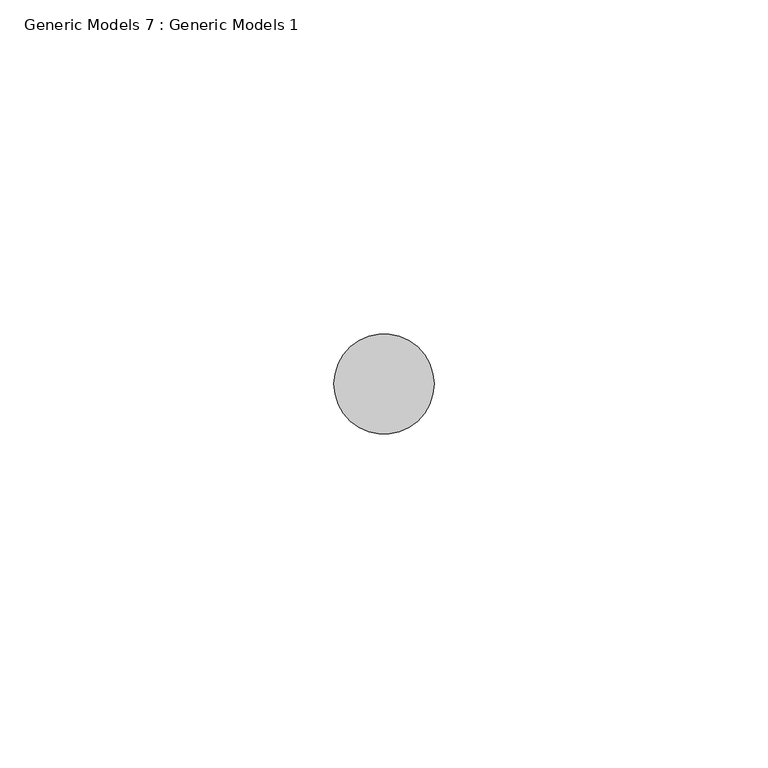
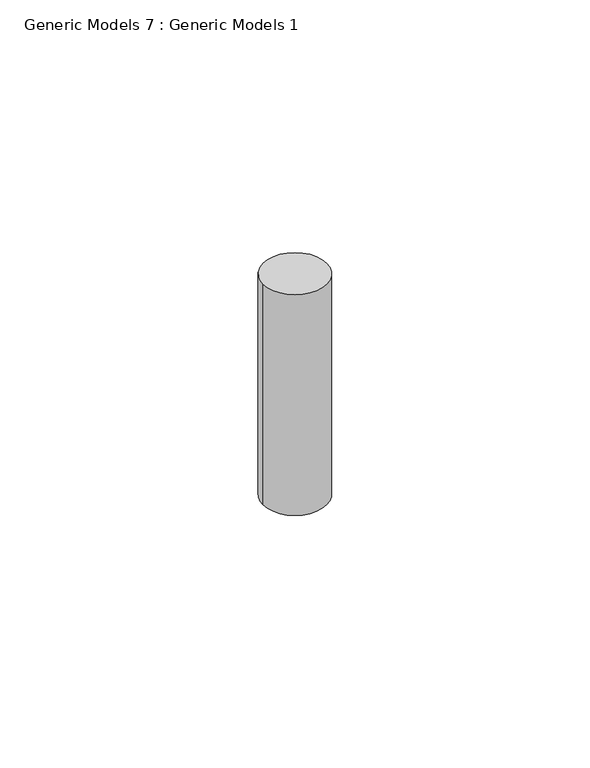
"""IFC4 building model written with IfcOpenShell, lengths in millimetres: proxy geometry, Generic Models 7 : Generic Models 1."""

from ifc_helpers import new_model, si_unit, point, frame, frame_2d, origin, place, context, project, spatial, circle_curve, trimmed, segment, composite_curve, outline, extrude, source, transform, mapped, element, save


def generic_models_7_generic_models_1_1c8a14fc(model_context):
    return source(origin(), model_context, "Body", "SweptSolid", [
        extrude(outline(composite_curve([segment(trimmed(circle_curve(frame_2d((3666.052282, 400.3057469)), 7.5), [point((3673.552282, 400.3057469))], [point((3658.552282, 400.3057469))], False, "CARTESIAN"), True, "CONTINUOUS"), segment(trimmed(circle_curve(frame_2d((3666.052282, 400.3057469)), 7.5), [point((3658.552282, 400.3057469))], [point((3673.552282, 400.3057469))], False, "CARTESIAN"), True, "CONTINUOUS")], self_intersect=False)), frame((0.0, 0.0, -839.6691196), z_axis=(0.0, 0.0, 1.0), x_axis=(1.0, 0.0, 0.0)), (0.0, 0.0, 1.0), 55.0000012),
    ])


if __name__ == "__main__":
    model = new_model("IFC4")
    model_context = context("Model", 3, world=origin())
    ifc_project = project(units=[si_unit("LENGTHUNIT", "METRE", prefix="MILLI")], contexts=[model_context])
    site = spatial("IfcSite", under=ifc_project)
    building = spatial("IfcBuilding", under=site)
    placement = place(None, origin())
    generic_models_7_generic_models_1_shape = generic_models_7_generic_models_1_1c8a14fc(model_context)
    element("IfcBuildingElementProxy", 1, Name="Generic Models 7 : Generic Models 1", ObjectType="Generic Models 7 : Generic Models 1", at=placement, inside=building, context=model_context, shape_type="MappedRepresentation", body=[
        mapped(generic_models_7_generic_models_1_shape, transform((0.0, 0.0, 0.0), x_axis=(1.0, 0.0, 0.0), y_axis=(0.0, 1.0, 0.0), z_axis=(0.0, 0.0, 1.0))),
    ])
    save(model, "model.ifc")
